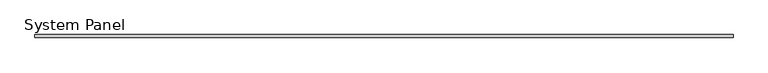
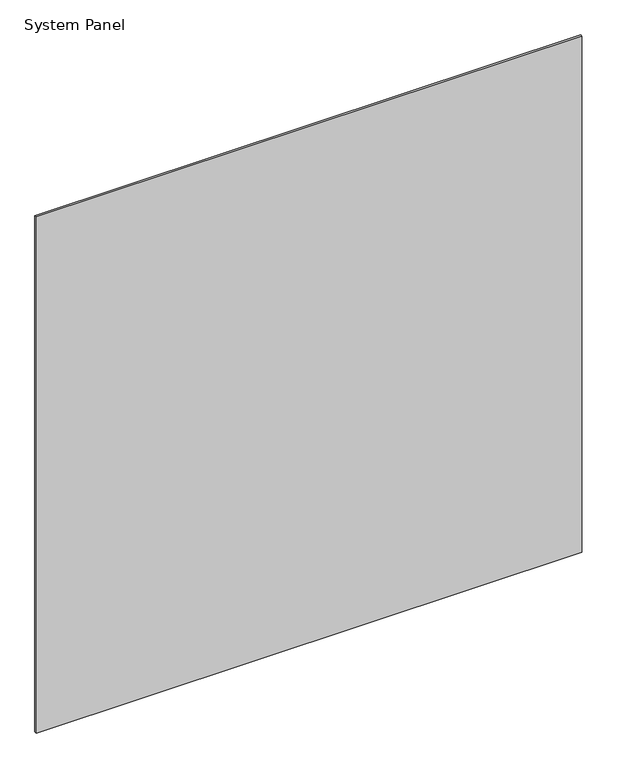
"""IFC4 building model written with IfcOpenShell, lengths in millimetres: plate geometry, System Panel."""

from ifc_helpers import new_model, si_unit, origin, origin_with_axes, place, context, project, spatial, polyline, outline, extrude, source, transform, mapped, element, save


def system_panel_d644f1e0(model_context):
    return source(origin(), model_context, "Body", "SweptSolid", [
        extrude(outline(polyline([(728.6738346, -12.8), (-728.6738346, -12.8), (-728.6738346, -6.4), (728.6738346, -6.4), (728.6738346, -12.8)])), origin_with_axes(), (0.0, 0.0, 1.0), 1457.3363346),
    ])


if __name__ == "__main__":
    model = new_model("IFC4")
    model_context = context("Model", 3, world=origin())
    ifc_project = project(units=[si_unit("LENGTHUNIT", "METRE", prefix="MILLI")], contexts=[model_context])
    site = spatial("IfcSite", under=ifc_project)
    building = spatial("IfcBuilding", under=site)
    placement = place(None, origin())
    system_panel_shape = system_panel_d644f1e0(model_context)
    element("IfcPlate", 1, ObjectType="System Panel", at=placement, inside=building, context=model_context, shape_type="MappedRepresentation", body=[
        mapped(system_panel_shape, transform((0.0, 0.0, 0.0), x_axis=(1.0, 0.0, 0.0), y_axis=(0.0, 1.0, 0.0), z_axis=(0.0, 0.0, 1.0))),
    ])
    save(model, "model.ifc")
